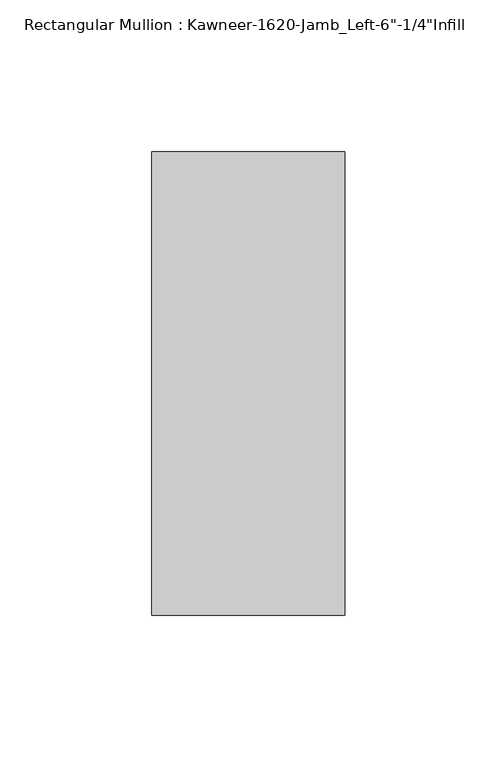
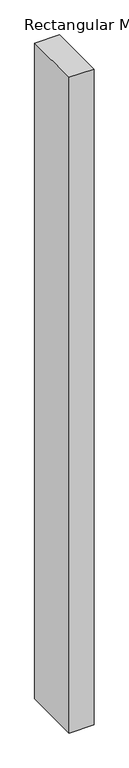
"""IFC4 building model written with IfcOpenShell, lengths in millimetres: member geometry."""

from ifc_helpers import new_model, si_unit, frame, origin, place, context, project, spatial, polyline, outline, extrude, source, transform, mapped, element, save


def member_84d11483(model_context):
    return source(origin(), model_context, "Body", "SweptSolid", [
        extrude(outline(polyline([(22.225, 28.575), (22.225, -123.825), (-41.275, -123.825), (-41.275, 28.575), (22.225, 28.575)])), frame((0.0, 0.0, -1765.3), z_axis=(0.0, 0.0, 1.0), x_axis=(1.0, 0.0, 0.0)), (0.0, 0.0, 1.0), 1765.3),
    ])


if __name__ == "__main__":
    model = new_model("IFC4")
    model_context = context("Model", 3, world=origin())
    ifc_project = project(units=[si_unit("LENGTHUNIT", "METRE", prefix="MILLI")], contexts=[model_context])
    site = spatial("IfcSite", under=ifc_project)
    building = spatial("IfcBuilding", under=site)
    placement = place(None, origin())
    member_shape = member_84d11483(model_context)
    element("IfcMember", 1, ObjectType="Rectangular Mullion : Kawneer-1620-Jamb_Left-6\"-1/4\"Infill", at=placement, inside=building, context=model_context, shape_type="MappedRepresentation", body=[
        mapped(member_shape, transform((0.0, 0.0, 0.0), x_axis=(1.0, 0.0, 0.0), y_axis=(0.0, 1.0, 0.0), z_axis=(0.0, 0.0, 1.0))),
    ])
    save(model, "model.ifc")
